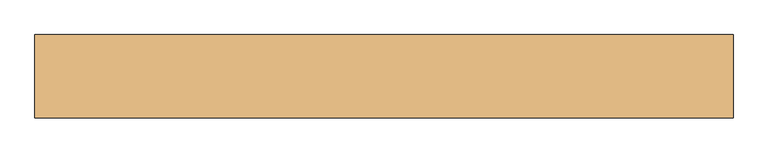
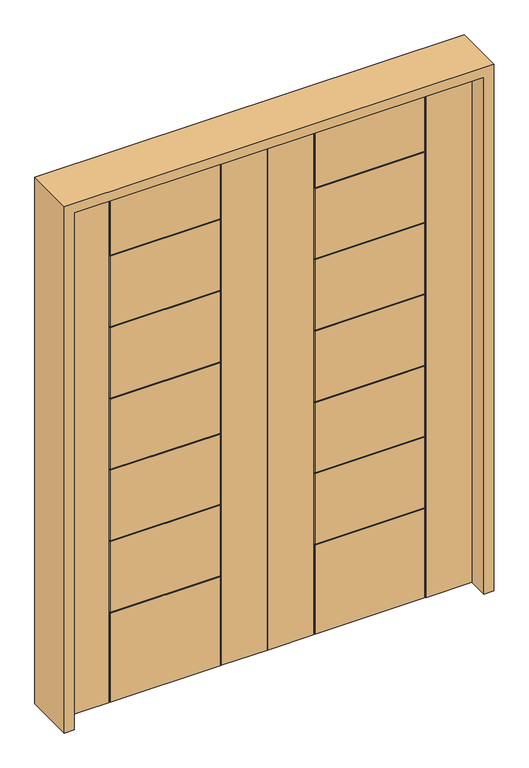
"""IFC4 building model written with IfcOpenShell, lengths in millimetres: door geometry."""

from ifc_helpers import new_model, si_unit, frame, origin, place, context, project, spatial, polyline, outline, extrude, faceted_brep, source, transform, mapped, element, save


def door_a45ae80d(model_context):
    return source(origin(), model_context, "Body", "SolidModel", [
        faceted_brep([(-914.4, 22.225, 2438.4), (-914.4, -22.225, 2438.4), (-707.263, -22.225, 2438.4), (-707.263, -17.4498, 2438.4), (-702.4878, -17.4498, 2438.4), (-702.4878, -22.225, 2438.4), (-211.9122, -22.225, 2438.4), (-211.9122, -17.4498, 2438.4), (-207.137, -17.4498, 2438.4), (-207.137, -22.225, 2438.4), (0.0, -22.225, 2438.4), (0.0, 22.225, 2438.4), (-207.137, 22.225, 2438.4), (-207.137, 17.4498, 2438.4), (-211.9122, 17.4498, 2438.4), (-211.9122, 22.225, 2438.4), (-702.4878, 22.225, 2438.4), (-702.4878, 17.4498, 2438.4), (-707.263, 17.4498, 2438.4), (-707.263, 22.225, 2438.4), (0.0, 22.225, 0.0), (0.0, -22.225, 0.0), (-207.137, -22.225, 0.0), (-207.137, -17.4498, 0.0), (-211.9122, -17.4498, 0.0), (-211.9122, -22.225, 0.0), (-702.4878, -22.225, 0.0), (-702.4878, -17.4498, 0.0), (-707.263, -17.4498, 0.0), (-707.263, -22.225, 0.0), (-914.4, -22.225, 0.0), (-914.4, 22.225, 0.0), (-707.263, 22.225, 0.0), (-707.263, 17.4498, 0.0), (-702.4878, 17.4498, 0.0), (-702.4878, 22.225, 0.0), (-211.9122, 22.225, 0.0), (-211.9122, 17.4498, 0.0), (-207.137, 17.4498, 0.0), (-207.137, 22.225, 0.0), (-211.9122, 22.225, 2107.438), (-702.4878, 22.225, 2107.438), (-702.4878, 22.225, 420.116), (-211.9122, 22.225, 420.116), (-702.4878, 22.225, 756.666), (-211.9122, 22.225, 756.666), (-211.9122, 22.225, 424.8912), (-702.4878, 22.225, 424.8912), (-702.4878, 22.225, 1770.9388), (-702.4878, 22.225, 2102.6628), (-211.9122, 22.225, 2102.6628), (-211.9122, 22.225, 1770.9388), (-702.4878, 22.225, 1766.1636), (-211.9122, 22.225, 1766.1636), (-211.9122, 22.225, 1434.4396), (-702.4878, 22.225, 1434.4396), (-702.4878, 22.225, 1097.9404), (-702.4878, 22.225, 1429.6644), (-211.9122, 22.225, 1429.6644), (-211.9122, 22.225, 1097.9404), (-702.4878, 22.225, 1093.1652), (-211.9122, 22.225, 1093.1652), (-211.9122, 22.225, 761.4412), (-702.4878, 22.225, 761.4412), (-707.263, 22.225, 421.8568831), (-702.4878, -22.225, 2107.438), (-211.9122, -22.225, 2107.438), (-211.9122, -22.225, 420.116), (-702.4878, -22.225, 420.116), (-211.9122, -22.225, 756.666), (-702.4878, -22.225, 756.666), (-702.4878, -22.225, 424.8912), (-211.9122, -22.225, 424.8912), (-702.4878, -22.225, 2102.6628), (-702.4878, -22.225, 1770.9388), (-211.9122, -22.225, 1770.9388), (-211.9122, -22.225, 2102.6628), (-211.9122, -22.225, 1766.1636), (-702.4878, -22.225, 1766.1636), (-702.4878, -22.225, 1434.4396), (-211.9122, -22.225, 1434.4396), (-702.4878, -22.225, 1429.6644), (-702.4878, -22.225, 1097.9404), (-211.9122, -22.225, 1097.9404), (-211.9122, -22.225, 1429.6644), (-211.9122, -22.225, 1093.1652), (-702.4878, -22.225, 1093.1652), (-702.4878, -22.225, 761.4412), (-211.9122, -22.225, 761.4412), (-211.9122, 17.4498, 420.116), (-702.4878, 17.4498, 420.116), (-707.263, 17.4498, 421.8568831), (-702.4878, 17.4498, 2107.438), (-211.9122, 17.4498, 2107.438), (-702.4878, 17.4498, 756.666), (-702.4878, 17.4498, 424.8912), (-211.9122, 17.4498, 424.8912), (-211.9122, 17.4498, 756.666), (-702.4878, 17.4498, 2102.6628), (-702.4878, 17.4498, 1770.9388), (-211.9122, 17.4498, 1770.9388), (-211.9122, 17.4498, 2102.6628), (-211.9122, 17.4498, 1766.1636), (-702.4878, 17.4498, 1766.1636), (-702.4878, 17.4498, 1434.4396), (-211.9122, 17.4498, 1434.4396), (-702.4878, 17.4498, 1429.6644), (-702.4878, 17.4498, 1097.9404), (-211.9122, 17.4498, 1097.9404), (-211.9122, 17.4498, 1429.6644), (-211.9122, 17.4498, 1093.1652), (-702.4878, 17.4498, 1093.1652), (-702.4878, 17.4498, 761.4412), (-211.9122, 17.4498, 761.4412), (-211.9122, -17.4498, 2107.438), (-702.4878, -17.4498, 2107.438), (-702.4878, -17.4498, 420.116), (-211.9122, -17.4498, 420.116), (-702.4878, -17.4498, 756.666), (-211.9122, -17.4498, 756.666), (-211.9122, -17.4498, 424.8912), (-702.4878, -17.4498, 424.8912), (-702.4878, -17.4498, 2102.6628), (-211.9122, -17.4498, 2102.6628), (-211.9122, -17.4498, 1770.9388), (-702.4878, -17.4498, 1770.9388), (-211.9122, -17.4498, 1766.1636), (-211.9122, -17.4498, 1434.4396), (-702.4878, -17.4498, 1434.4396), (-702.4878, -17.4498, 1766.1636), (-702.4878, -17.4498, 1429.6644), (-211.9122, -17.4498, 1429.6644), (-211.9122, -17.4498, 1097.9404), (-702.4878, -17.4498, 1097.9404), (-211.9122, -17.4498, 1093.1652), (-211.9122, -17.4498, 761.4412), (-702.4878, -17.4498, 761.4412), (-702.4878, -17.4498, 1093.1652)], [[[0, 1, 2, 3, 4, 5, 6, 7, 8, 9, 10, 11, 12, 13, 14, 15, 16, 17, 18, 19]], [[20, 21, 22, 23, 24, 25, 26, 27, 28, 29, 30, 31, 32, 33, 34, 35, 36, 37, 38, 39]], [[16, 15, 40, 41]], [[36, 35, 42, 43]], [[11, 20, 39, 12]], [[44, 45, 46, 47]], [[48, 49, 50, 51]], [[52, 53, 54, 55]], [[56, 57, 58, 59]], [[60, 61, 62, 63]], [[31, 0, 19, 64, 32]], [[1, 0, 31, 30]], [[6, 5, 65, 66]], [[26, 25, 67, 68]], [[1, 30, 29, 2]], [[69, 70, 71, 72]], [[73, 74, 75, 76]], [[77, 78, 79, 80]], [[81, 82, 83, 84]], [[85, 86, 87, 88]], [[21, 10, 9, 22]], [[11, 10, 21, 20]], [[37, 89, 90, 34, 33, 91, 18, 17, 92, 93, 14, 13, 38], [94, 95, 96, 97], [98, 99, 100, 101], [102, 103, 104, 105], [106, 107, 108, 109], [110, 111, 112, 113]], [[89, 37, 36, 43]], [[94, 97, 45, 44]], [[95, 94, 44, 47]], [[91, 33, 32, 64]], [[92, 17, 16, 41]], [[93, 92, 41, 40]], [[14, 93, 40, 15]], [[38, 13, 12, 39]], [[99, 98, 49, 48]], [[100, 99, 48, 51]], [[101, 100, 51, 50]], [[98, 101, 50, 49]], [[103, 102, 53, 52]], [[104, 103, 52, 55]], [[105, 104, 55, 54]], [[102, 105, 54, 53]], [[107, 106, 57, 56]], [[108, 107, 56, 59]], [[109, 108, 59, 58]], [[106, 109, 58, 57]], [[111, 110, 61, 60]], [[112, 111, 60, 63]], [[113, 112, 63, 62]], [[110, 113, 62, 61]], [[23, 8, 7, 114, 115, 4, 3, 28, 27, 116, 117, 24], [118, 119, 120, 121], [122, 123, 124, 125], [126, 127, 128, 129], [130, 131, 132, 133], [134, 135, 136, 137]], [[24, 117, 67, 25]], [[119, 118, 70, 69]], [[118, 121, 71, 70]], [[28, 3, 2, 29]], [[4, 115, 65, 5]], [[115, 114, 66, 65]], [[114, 7, 6, 66]], [[8, 23, 22, 9]], [[122, 125, 74, 73]], [[125, 124, 75, 74]], [[124, 123, 76, 75]], [[123, 122, 73, 76]], [[126, 129, 78, 77]], [[129, 128, 79, 78]], [[128, 127, 80, 79]], [[127, 126, 77, 80]], [[130, 133, 82, 81]], [[133, 132, 83, 82]], [[132, 131, 84, 83]], [[131, 130, 81, 84]], [[134, 137, 86, 85]], [[137, 136, 87, 86]], [[136, 135, 88, 87]], [[135, 134, 85, 88]], [[116, 27, 26, 68]], [[34, 90, 42, 35]], [[18, 91, 64, 19]], [[97, 96, 46, 45]], [[96, 95, 47, 46]], [[90, 89, 43, 42]], [[121, 120, 72, 71]], [[120, 119, 69, 72]], [[117, 116, 68, 67]]]),
        faceted_brep([(914.4, 22.225, 2438.4), (707.263, 22.225, 2438.4), (707.263, 17.4498, 2438.4), (702.4878, 17.4498, 2438.4), (702.4878, 22.225, 2438.4), (211.9122, 22.225, 2438.4), (211.9122, 17.4498, 2438.4), (207.137, 17.4498, 2438.4), (207.137, 22.225, 2438.4), (0.0, 22.225, 2438.4), (0.0, -22.225, 2438.4), (207.137, -22.225, 2438.4), (207.137, -17.4498, 2438.4), (211.9122, -17.4498, 2438.4), (211.9122, -22.225, 2438.4), (702.4878, -22.225, 2438.4), (702.4878, -17.4498, 2438.4), (707.263, -17.4498, 2438.4), (707.263, -22.225, 2438.4), (914.4, -22.225, 2438.4), (0.0, 22.225, 0.0), (207.137, 22.225, 0.0), (207.137, 17.4498, 0.0), (211.9122, 17.4498, 0.0), (211.9122, 22.225, 0.0), (702.4878, 22.225, 0.0), (702.4878, 17.4498, 0.0), (707.263, 17.4498, 0.0), (707.263, 22.225, 0.0), (914.4, 22.225, 0.0), (914.4, -22.225, 0.0), (707.263, -22.225, 0.0), (707.263, -17.4498, 0.0), (702.4878, -17.4498, 0.0), (702.4878, -22.225, 0.0), (211.9122, -22.225, 0.0), (211.9122, -17.4498, 0.0), (207.137, -17.4498, 0.0), (207.137, -22.225, 0.0), (0.0, -22.225, 0.0), (707.263, 22.225, 421.8568831), (702.4878, 22.225, 2107.438), (211.9122, 22.225, 2107.438), (702.4878, 22.225, 756.666), (702.4878, 22.225, 424.8912), (211.9122, 22.225, 424.8912), (211.9122, 22.225, 756.666), (211.9122, 22.225, 420.116), (702.4878, 22.225, 420.116), (702.4878, 22.225, 1770.9388), (211.9122, 22.225, 1770.9388), (211.9122, 22.225, 2102.6628), (702.4878, 22.225, 2102.6628), (702.4878, 22.225, 1766.1636), (702.4878, 22.225, 1434.4396), (211.9122, 22.225, 1434.4396), (211.9122, 22.225, 1766.1636), (702.4878, 22.225, 1097.9404), (211.9122, 22.225, 1097.9404), (211.9122, 22.225, 1429.6644), (702.4878, 22.225, 1429.6644), (702.4878, 22.225, 1093.1652), (702.4878, 22.225, 761.4412), (211.9122, 22.225, 761.4412), (211.9122, 22.225, 1093.1652), (211.9122, -22.225, 2107.438), (702.4878, -22.225, 2107.438), (702.4878, -22.225, 2102.6628), (211.9122, -22.225, 2102.6628), (211.9122, -22.225, 1770.9388), (702.4878, -22.225, 1770.9388), (211.9122, -22.225, 1766.1636), (211.9122, -22.225, 1434.4396), (702.4878, -22.225, 1434.4396), (702.4878, -22.225, 1766.1636), (702.4878, -22.225, 1429.6644), (211.9122, -22.225, 1429.6644), (211.9122, -22.225, 1097.9404), (702.4878, -22.225, 1097.9404), (211.9122, -22.225, 1093.1652), (211.9122, -22.225, 761.4412), (702.4878, -22.225, 761.4412), (702.4878, -22.225, 1093.1652), (211.9122, -22.225, 756.666), (211.9122, -22.225, 424.8912), (702.4878, -22.225, 424.8912), (702.4878, -22.225, 756.666), (702.4878, -22.225, 420.116), (211.9122, -22.225, 420.116), (211.9122, 17.4498, 2107.438), (702.4878, 17.4498, 2107.438), (707.263, 17.4498, 421.8568831), (702.4878, 17.4498, 420.116), (211.9122, 17.4498, 420.116), (702.4878, 17.4498, 756.666), (211.9122, 17.4498, 756.666), (211.9122, 17.4498, 424.8912), (702.4878, 17.4498, 424.8912), (702.4878, 17.4498, 2102.6628), (211.9122, 17.4498, 2102.6628), (211.9122, 17.4498, 1770.9388), (702.4878, 17.4498, 1770.9388), (211.9122, 17.4498, 1766.1636), (211.9122, 17.4498, 1434.4396), (702.4878, 17.4498, 1434.4396), (702.4878, 17.4498, 1766.1636), (702.4878, 17.4498, 1429.6644), (211.9122, 17.4498, 1429.6644), (211.9122, 17.4498, 1097.9404), (702.4878, 17.4498, 1097.9404), (211.9122, 17.4498, 1093.1652), (211.9122, 17.4498, 761.4412), (702.4878, 17.4498, 761.4412), (702.4878, 17.4498, 1093.1652), (211.9122, -17.4498, 420.116), (702.4878, -17.4498, 420.116), (702.4878, -17.4498, 2107.438), (211.9122, -17.4498, 2107.438), (702.4878, -17.4498, 756.666), (702.4878, -17.4498, 424.8912), (211.9122, -17.4498, 424.8912), (211.9122, -17.4498, 756.666), (702.4878, -17.4498, 2102.6628), (702.4878, -17.4498, 1770.9388), (211.9122, -17.4498, 1770.9388), (211.9122, -17.4498, 2102.6628), (211.9122, -17.4498, 1766.1636), (702.4878, -17.4498, 1766.1636), (702.4878, -17.4498, 1434.4396), (211.9122, -17.4498, 1434.4396), (702.4878, -17.4498, 1429.6644), (702.4878, -17.4498, 1097.9404), (211.9122, -17.4498, 1097.9404), (211.9122, -17.4498, 1429.6644), (211.9122, -17.4498, 1093.1652), (702.4878, -17.4498, 1093.1652), (702.4878, -17.4498, 761.4412), (211.9122, -17.4498, 761.4412)], [[[0, 1, 2, 3, 4, 5, 6, 7, 8, 9, 10, 11, 12, 13, 14, 15, 16, 17, 18, 19]], [[20, 21, 22, 23, 24, 25, 26, 27, 28, 29, 30, 31, 32, 33, 34, 35, 36, 37, 38, 39]], [[9, 8, 21, 20]], [[29, 28, 40, 1, 0]], [[4, 41, 42, 5]], [[43, 44, 45, 46]], [[24, 47, 48, 25]], [[49, 50, 51, 52]], [[53, 54, 55, 56]], [[57, 58, 59, 60]], [[61, 62, 63, 64]], [[19, 30, 29, 0]], [[19, 18, 31, 30]], [[39, 38, 11, 10]], [[14, 65, 66, 15]], [[67, 68, 69, 70]], [[71, 72, 73, 74]], [[75, 76, 77, 78]], [[79, 80, 81, 82]], [[83, 84, 85, 86]], [[34, 87, 88, 35]], [[9, 20, 39, 10]], [[23, 22, 7, 6, 89, 90, 3, 2, 91, 27, 26, 92, 93], [94, 95, 96, 97], [98, 99, 100, 101], [102, 103, 104, 105], [106, 107, 108, 109], [110, 111, 112, 113]], [[93, 47, 24, 23]], [[94, 43, 46, 95]], [[97, 44, 43, 94]], [[91, 40, 28, 27]], [[90, 41, 4, 3]], [[89, 42, 41, 90]], [[6, 5, 42, 89]], [[22, 21, 8, 7]], [[101, 49, 52, 98]], [[100, 50, 49, 101]], [[99, 51, 50, 100]], [[98, 52, 51, 99]], [[105, 53, 56, 102]], [[104, 54, 53, 105]], [[103, 55, 54, 104]], [[102, 56, 55, 103]], [[109, 57, 60, 106]], [[108, 58, 57, 109]], [[107, 59, 58, 108]], [[106, 60, 59, 107]], [[113, 61, 64, 110]], [[112, 62, 61, 113]], [[111, 63, 62, 112]], [[110, 64, 63, 111]], [[37, 36, 114, 115, 33, 32, 17, 16, 116, 117, 13, 12], [118, 119, 120, 121], [122, 123, 124, 125], [126, 127, 128, 129], [130, 131, 132, 133], [134, 135, 136, 137]], [[36, 35, 88, 114]], [[121, 83, 86, 118]], [[118, 86, 85, 119]], [[32, 31, 18, 17]], [[16, 15, 66, 116]], [[116, 66, 65, 117]], [[117, 65, 14, 13]], [[12, 11, 38, 37]], [[122, 67, 70, 123]], [[123, 70, 69, 124]], [[124, 69, 68, 125]], [[125, 68, 67, 122]], [[126, 71, 74, 127]], [[127, 74, 73, 128]], [[128, 73, 72, 129]], [[129, 72, 71, 126]], [[130, 75, 78, 131]], [[131, 78, 77, 132]], [[132, 77, 76, 133]], [[133, 76, 75, 130]], [[134, 79, 82, 135]], [[135, 82, 81, 136]], [[136, 81, 80, 137]], [[137, 80, 79, 134]], [[115, 87, 34, 33]], [[26, 25, 48, 92]], [[2, 1, 40, 91]], [[95, 46, 45, 96]], [[96, 45, 44, 97]], [[92, 48, 47, 93]], [[119, 85, 84, 120]], [[120, 84, 83, 121]], [[114, 88, 87, 115]]]),
        extrude(outline(polyline([(0.0, -958.85), (0.0, -914.4), (2438.4, -914.4), (2438.4, 914.4), (0.0, 914.4), (0.0, 958.85), (2482.85, 958.85), (2482.85, -958.85), (0.0, -958.85)])), frame((0.0, -114.3, 0.0), z_axis=(0.0, 1.0, 0.0), x_axis=(0.0, 0.0, 1.0)), (0.0, 0.0, 1.0), 228.6),
    ])


if __name__ == "__main__":
    model = new_model("IFC4")
    model_context = context("Model", 3, world=origin())
    ifc_project = project(units=[si_unit("LENGTHUNIT", "METRE", prefix="MILLI")], contexts=[model_context])
    site = spatial("IfcSite", under=ifc_project)
    building = spatial("IfcBuilding", under=site)
    placement = place(None, origin())
    door_shape = door_a45ae80d(model_context)
    element("IfcDoor", 1, at=placement, inside=building, context=model_context, shape_type="MappedRepresentation", body=[
        mapped(door_shape, transform((0.0, 0.0, 0.0), x_axis=(1.0, 0.0, 0.0), y_axis=(0.0, 1.0, 0.0), z_axis=(0.0, 0.0, 1.0))),
    ])
    save(model, "model.ifc")
